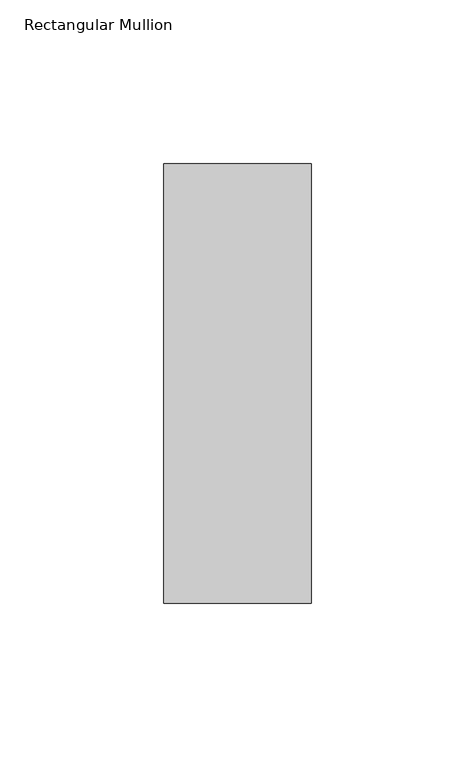
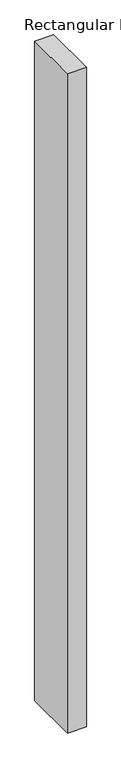
"""IFC4 building model written with IfcOpenShell, lengths in millimetres: member geometry, Rectangular Mullion."""

from ifc_helpers import new_model, si_unit, frame, origin, place, context, project, spatial, polyline, outline, extrude, source, transform, mapped, element, save


def rectangular_mullion_8f05d593(model_context):
    return source(origin(), model_context, "Body", "SweptSolid", [
        extrude(outline(polyline([(22.5, 82.60625), (22.5, -51.60625), (-22.5, -51.60625), (-22.5, 82.60625), (22.5, 82.60625)])), frame((0.0, 0.0, -1652.9427622), z_axis=(0.0, 0.0, 1.0), x_axis=(1.0, 0.0, 0.0)), (0.0, 0.0, 1.0), 1652.9427622),
    ])


if __name__ == "__main__":
    model = new_model("IFC4")
    model_context = context("Model", 3, world=origin())
    ifc_project = project(units=[si_unit("LENGTHUNIT", "METRE", prefix="MILLI")], contexts=[model_context])
    site = spatial("IfcSite", under=ifc_project)
    building = spatial("IfcBuilding", under=site)
    placement = place(None, origin())
    rectangular_mullion_shape = rectangular_mullion_8f05d593(model_context)
    element("IfcMember", 1, ObjectType="Rectangular Mullion", at=placement, inside=building, context=model_context, shape_type="MappedRepresentation", body=[
        mapped(rectangular_mullion_shape, transform((0.0, 0.0, 0.0), x_axis=(1.0, 0.0, 0.0), y_axis=(0.0, 1.0, 0.0), z_axis=(0.0, 0.0, 1.0))),
    ])
    save(model, "model.ifc")
